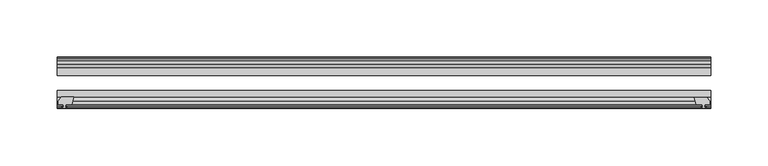
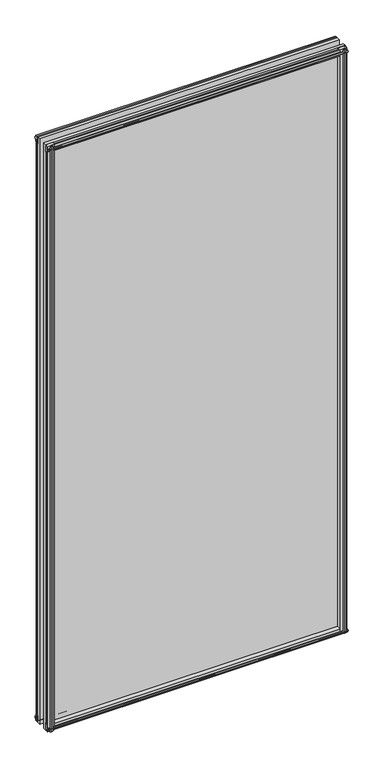
"""IFC4 building model written with IfcOpenShell, lengths in millimetres: plate geometry."""

from ifc_helpers import new_model, si_unit, frame, origin, place, context, project, spatial, polyline, outline, extrude, source, transform, mapped, element, save


def plate_70248dd7(model_context):
    return source(origin(), model_context, "Body", "SweptSolid", [
        extrude(outline(polyline([(-271.3322818, -83.1453125), (-273.0499999, -89.4953125), (-278.2569999, -89.4953125), (-278.6379999, -91.8755095), (-277.2224708, -91.4155762), (-277.2224708, -92.2167904), (-279.3999999, -92.9243125), (-281.5775289, -92.2167904), (-281.5775289, -91.4155762), (-280.1619999, -91.8755095), (-280.5429999, -89.4953125), (-284.9879999, -89.4953125), (-284.9879999, -86.5489125), (-282.1536577, -83.1453125), (-271.3322818, -83.1453125)])), frame((0.0, 0.0, -12.4587), z_axis=(0.0, 0.0, 1.0), x_axis=(1.0, 0.0, 0.0)), (0.0, 0.0, 1.0), 1180.6172185),
        extrude(outline(polyline([(271.3538925, -83.2252021), (282.1752684, -83.2252021), (285.0096106, -86.6288021), (285.0096106, -89.5752021), (280.5646106, -89.5752021), (280.1836106, -91.9553991), (281.5991396, -91.4954658), (281.5991396, -92.29668), (279.4216106, -93.0042021), (277.2440815, -92.29668), (277.2440815, -91.4954658), (278.6596106, -91.9553991), (278.2786106, -89.5752021), (273.0716106, -89.5752021), (271.3538925, -83.2252021)])), frame((0.0, 0.0, -9.0482291), z_axis=(0.0, 0.0, 1.0), x_axis=(1.0, 0.0, 0.0)), (0.0, 0.0, 1.0), 1177.2067475),
        extrude(outline(polyline([(-280.6826999, -49.0151155), (-282.0982289, -49.4750488), (-282.0982289, -48.6738346), (-279.9206999, -47.9663125), (-277.7431708, -48.6738346), (-277.7431708, -49.4750488), (-279.1586999, -49.0151155), (-278.7776999, -51.3953125), (-273.5706999, -51.3953125), (-271.8529818, -57.7453125), (-282.6743577, -57.7453125), (-285.5086999, -54.3417125), (-285.5086999, -51.3953125), (-281.0636999, -51.3953125), (-280.6826999, -49.0151155)])), frame((0.0, 0.0, -12.4587), z_axis=(0.0, 0.0, 1.0), x_axis=(1.0, 0.0, 0.0)), (0.0, 0.0, 1.0), 1174.2672185),
        extrude(outline(polyline([(271.8529818, -57.7453125), (273.5706999, -51.3953125), (278.7776999, -51.3953125), (279.1586999, -49.0151155), (277.7431708, -49.4750488), (277.7431708, -48.6738346), (279.9206999, -47.9663125), (282.0982289, -48.6738346), (282.0982289, -49.4750488), (280.6826999, -49.0151155), (281.0636999, -51.3953125), (285.5086999, -51.3953125), (285.5086999, -54.3417125), (282.6743577, -57.7453125), (271.8529818, -57.7453125)])), frame((0.0, 0.0, -12.4587), z_axis=(0.0, 0.0, 1.0), x_axis=(1.0, 0.0, 0.0)), (0.0, 0.0, 1.0), 1174.2672185),
        extrude(outline(polyline([(-48.6738346, -4.6931709), (-47.9663125, -6.8707), (-48.6738346, -9.0482291), (-49.4750488, -9.0482291), (-49.0151155, -7.6327), (-51.3953125, -8.0137), (-51.3953125, -12.4587), (-54.3417125, -12.4587), (-57.7453125, -9.6243578), (-57.7453125, 1.1970181), (-51.3953125, -0.5207), (-51.3953125, -5.7277), (-49.0151155, -6.1087), (-49.4750488, -4.6931709), (-48.6738346, -4.6931709)])), frame((-285.7499999, 0.0, 0.0), z_axis=(1.0, 0.0, 0.0), x_axis=(0.0, 1.0, 0.0)), (0.0, 0.0, 1.0), 571.4999997),
        extrude(outline(polyline([(-83.1453125, 1.7177181), (-83.1453125, -9.1036578), (-86.5489125, -11.938), (-89.4953125, -11.938), (-89.4953125, -7.493), (-91.8755095, -7.112), (-91.4155762, -8.5275291), (-92.2167904, -8.5275291), (-92.9243125, -6.35), (-92.2167904, -4.1724709), (-91.4155762, -4.1724709), (-91.8755095, -5.588), (-89.4953125, -5.207), (-89.4953125, 0.0), (-83.1453125, 1.7177181)])), frame((-285.7499999, 0.0, 0.0), z_axis=(1.0, 0.0, 0.0), x_axis=(0.0, 1.0, 0.0)), (0.0, 0.0, 1.0), 571.4999997),
        extrude(outline(polyline([(-49.0151155, 1163.3325185), (-49.4750488, 1164.7480475), (-48.6738346, 1164.7480475), (-47.9663125, 1162.5705185), (-48.6738346, 1160.3929894), (-49.4750488, 1160.3929894), (-49.0151155, 1161.8085185), (-51.3953125, 1161.4275185), (-51.3953125, 1156.2205185), (-57.7453125, 1154.5028004), (-57.7453125, 1165.3241763), (-54.3417125, 1168.1585185), (-51.3953125, 1168.1585185), (-51.3953125, 1163.7135185), (-49.0151155, 1163.3325185)])), frame((-285.7499999, 0.0, 0.0), z_axis=(1.0, 0.0, 0.0), x_axis=(0.0, 1.0, 0.0)), (0.0, 0.0, 1.0), 571.4999997),
        extrude(outline(polyline([(-89.4953125, 1167.6378185), (-86.5489125, 1167.6378185), (-83.1453125, 1164.8034763), (-83.1453125, 1153.9821004), (-89.4953125, 1155.6998185), (-89.4953125, 1160.9068185), (-91.8755095, 1161.2878185), (-91.4155762, 1159.8722894), (-92.2167904, 1159.8722894), (-92.9243125, 1162.0498185), (-92.2167904, 1164.2273475), (-91.4155762, 1164.2273475), (-91.8755095, 1162.8118185), (-89.4953125, 1163.1928185), (-89.4953125, 1167.6378185)])), frame((-285.7499999, 0.0, 0.0), z_axis=(1.0, 0.0, 0.0), x_axis=(0.0, 1.0, 0.0)), (0.0, 0.0, 1.0), 571.4999997),
        extrude(outline(polyline([(-285.7499999, -57.7453125), (285.7499999, -57.7453125), (285.7499999, -64.0953125), (-285.7499999, -64.0953125), (-285.7499999, -57.7453125)])), frame((0.0, 0.0, -12.7), z_axis=(0.0, 0.0, 1.0), x_axis=(1.0, 0.0, 0.0)), (0.0, 0.0, 1.0), 1181.0998185),
        extrude(outline(polyline([(-285.7499999, -77.1178925), (285.7499999, -77.1178925), (285.7499999, -83.1453125), (-285.7499999, -83.1453125), (-285.7499999, -77.1178925)])), frame((0.0, 0.0, -12.7), z_axis=(0.0, 0.0, 1.0), x_axis=(1.0, 0.0, 0.0)), (0.0, 0.0, 1.0), 1181.0998185),
    ])


if __name__ == "__main__":
    model = new_model("IFC4")
    model_context = context("Model", 3, world=origin())
    ifc_project = project(units=[si_unit("LENGTHUNIT", "METRE", prefix="MILLI")], contexts=[model_context])
    site = spatial("IfcSite", under=ifc_project)
    building = spatial("IfcBuilding", under=site)
    placement = place(None, origin())
    plate_shape = plate_70248dd7(model_context)
    element("IfcPlate", 1, at=placement, inside=building, context=model_context, shape_type="MappedRepresentation", body=[
        mapped(plate_shape, transform((0.0, 0.0, 0.0), x_axis=(1.0, 0.0, 0.0), y_axis=(0.0, 1.0, 0.0), z_axis=(0.0, 0.0, 1.0))),
    ])
    save(model, "model.ifc")
